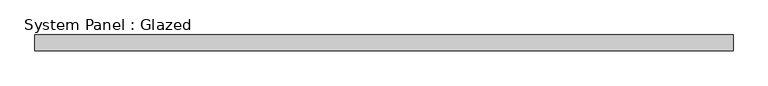
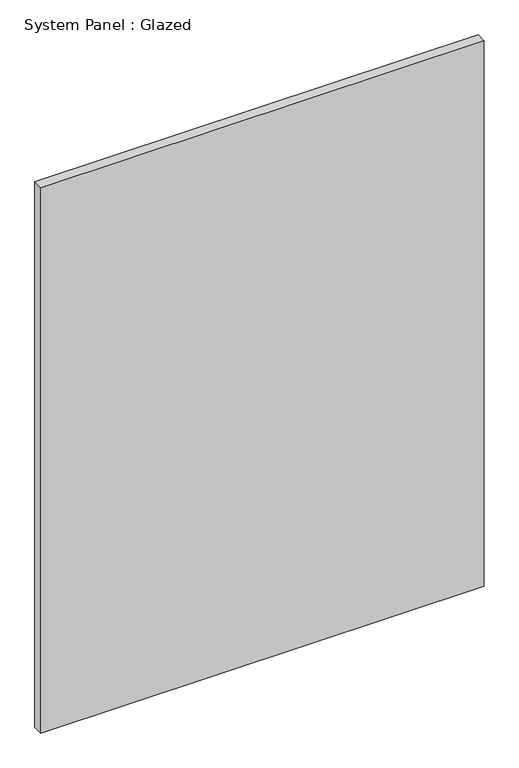
"""IFC4 building model written with IfcOpenShell, lengths in millimetres: plate geometry, System Panel : Glazed."""

import ifcopenshell
import ifcopenshell.guid

model = None  # the IFC model being written
_history = None  # IfcOwnerHistory: only IFC2X3 demands one
_inside = {}  # id of a spatial element -> (the spatial element, [elements in it])
_under = {}  # id of a project, library or spatial element -> (it, [spatial elements below it])
_declared = {}  # id of a project -> (the project, [libraries it declares])
_typed = {}  # id of a type object -> (the type object, [elements of that type])
_made_of = {}  # id of a material, layer set ... -> (it, [elements and type objects made of it])


def new_model(schema):
    """Start an empty IFC model of exactly this schema.

    Asked for "IFC4X3", IfcOpenShell would pick the latest addendum, in which some entities
    have other attributes; the version numbers below select the first issue.
    IFC2X3 requires an IfcOwnerHistory on every rooted entity: one is made here for all.
    """
    global model, _history
    if schema == "IFC4X3":
        model = ifcopenshell.file(schema_version=(4, 3, 0, 0))
    else:
        model = ifcopenshell.file(schema=schema)
    _inside.clear()
    _under.clear()
    _declared.clear()
    _typed.clear()
    _made_of.clear()
    _history = None
    if model.schema == "IFC2X3":
        org = make("IfcOrganization", Name="unknown")
        user = make(
            "IfcPersonAndOrganization",
            ThePerson=make("IfcPerson", FamilyName="unknown"),
            TheOrganization=org,
        )
        app = make(
            "IfcApplication",
            ApplicationDeveloper=org,
            Version="unknown",
            ApplicationFullName="unknown",
            ApplicationIdentifier="unknown",
        )
        _history = make(
            "IfcOwnerHistory",
            OwningUser=user,
            OwningApplication=app,
            ChangeAction="ADDED",
            CreationDate=0,
        )
    return model


def make(cls, **values):
    """One entity of the class cls with the attributes given. An attribute that is None is left unset."""
    return model.create_entity(
        cls, **{name: value for name, value in values.items() if value is not None}
    )


def rooted(cls, **values):
    """An entity with a GlobalId (a new one), such as an element, a storey or a relation."""
    return make(cls, GlobalId=ifcopenshell.guid.new(), OwnerHistory=_history, **values)


def si_unit(unit_type, name, prefix=None):
    """IfcSIUnit, for example si_unit("LENGTHUNIT", "METRE", prefix="MILLI")."""
    return make("IfcSIUnit", UnitType=unit_type, Prefix=prefix, Name=name)


def assignment(units):
    """IfcUnitAssignment: the units of a project."""
    return None if units is None else make("IfcUnitAssignment", Units=units)


def point(xyz):
    """IfcCartesianPoint."""
    return None if xyz is None else make("IfcCartesianPoint", Coordinates=xyz)


def direction(xyz):
    """IfcDirection."""
    return None if xyz is None else make("IfcDirection", DirectionRatios=xyz)


def frame(location, z_axis=None, x_axis=None):
    """IfcAxis2Placement3D, a coordinate frame: its origin and axes. An axis left out is left unset."""
    return make(
        "IfcAxis2Placement3D",
        Location=point(location),
        Axis=direction(z_axis),
        RefDirection=direction(x_axis),
    )


def origin():
    """The frame at (0, 0, 0) with its axes left unset."""
    return frame((0.0, 0.0, 0.0))


def origin_with_axes():
    """The frame at (0, 0, 0) with the z axis (0, 0, 1) and the x axis (1, 0, 0) written out."""
    return frame((0.0, 0.0, 0.0), z_axis=(0.0, 0.0, 1.0), x_axis=(1.0, 0.0, 0.0))


def place(relative_to, where):
    """IfcLocalPlacement: puts the frame where relative to a parent placement (None: the world)."""
    return make(
        "IfcLocalPlacement", PlacementRelTo=relative_to, RelativePlacement=where
    )


def context(
    kind, dimensions, precision=None, world=None, true_north=None, identifier=None
):
    """IfcGeometricRepresentationContext, for example the 3D "Model" context."""
    return make(
        "IfcGeometricRepresentationContext",
        ContextIdentifier=identifier,
        ContextType=kind,
        CoordinateSpaceDimension=dimensions,
        Precision=precision,
        WorldCoordinateSystem=world,
        TrueNorth=true_north,
    )


def project(units=None, contexts=None):
    """IfcProject with its units and contexts."""
    return rooted(
        "IfcProject",
        Name="project",
        RepresentationContexts=contexts,
        UnitsInContext=assignment(units),
    )


def spatial(cls, under=None, at=None, **own):
    """A site, building, storey or space (cls), placed at a placement, below another one or the project."""
    s = rooted(cls, ObjectPlacement=at, **own)
    if under is not None:
        _under.setdefault(under.id(), (under, []))[1].append(s)
    return s


def polyline(points):
    """IfcPolyline through the points."""
    return make("IfcPolyline", Points=[point(p) for p in points])


def outline(outer, holes=None, kind="AREA"):
    """IfcArbitraryClosedProfileDef: a profile drawn as a closed curve; with holes, ...WithVoids."""
    if holes is None:
        return make("IfcArbitraryClosedProfileDef", ProfileType=kind, OuterCurve=outer)
    return make(
        "IfcArbitraryProfileDefWithVoids",
        ProfileType=kind,
        OuterCurve=outer,
        InnerCurves=holes,
    )


def extrude(swept, where, along, depth):
    """IfcExtrudedAreaSolid: the profile swept, set in the frame where, extruded along a direction by depth."""
    return make(
        "IfcExtrudedAreaSolid",
        SweptArea=swept,
        Position=where,
        ExtrudedDirection=direction(along),
        Depth=depth,
    )


def shape(context_of_items, identifier, shape_type, items):
    """IfcShapeRepresentation: the items that make up one representation, for example the "Body"."""
    return make(
        "IfcShapeRepresentation",
        ContextOfItems=context_of_items,
        RepresentationIdentifier=identifier,
        RepresentationType=shape_type,
        Items=items,
    )


def source(mapping_origin, context_of_items, identifier, shape_type, items):
    """IfcRepresentationMap: a shape defined once, which mapped items show again and again."""
    return make(
        "IfcRepresentationMap",
        MappingOrigin=mapping_origin,
        MappedRepresentation=shape(context_of_items, identifier, shape_type, items),
    )


def transform(
    local_origin,
    x_axis=None,
    y_axis=None,
    z_axis=None,
    scale=None,
    scale2=None,
    scale3=None,
    uniform=True,
):
    """IfcCartesianTransformationOperator3D, or its non-uniform kind. x_axis, y_axis, z_axis: its Axis1, 2, 3."""
    if uniform:
        return make(
            "IfcCartesianTransformationOperator3D",
            Axis1=direction(x_axis),
            Axis2=direction(y_axis),
            LocalOrigin=point(local_origin),
            Scale=scale,
            Axis3=direction(z_axis),
        )
    return make(
        "IfcCartesianTransformationOperator3DnonUniform",
        Axis1=direction(x_axis),
        Axis2=direction(y_axis),
        LocalOrigin=point(local_origin),
        Scale=scale,
        Axis3=direction(z_axis),
        Scale2=scale2,
        Scale3=scale3,
    )


def mapped(mapping_source, mapping_target):
    """IfcMappedItem: shows the shape of a source again, moved by a transform."""
    return make(
        "IfcMappedItem", MappingSource=mapping_source, MappingTarget=mapping_target
    )


def made_of(thing, what):
    """Note that an element or type object is made of a material, layer set ...; save() writes the relation."""
    if what is not None:
        _made_of.setdefault(what.id(), (what, []))[1].append(thing)
    return thing


def element(
    cls,
    number,
    at=None,
    inside=None,
    cuts=None,
    type_object=None,
    material=None,
    context=None,
    identifier="Body",
    shape_type=None,
    held_by="IfcProductDefinitionShape",
    body=None,
    shapes=None,
    **own,
):
    """One element of the class cls, such as IfcWall. Its Tag is "e" and its number.

    at: its placement. inside: the storey or other place that contains it. cuts: it is an
    opening in that element (IfcRelVoidsElement). A single representation is given by context,
    identifier, shape_type and body (its items); several are given by shapes. held_by: the class
    of the entity that holds the representations. save() writes the other relations.
    """
    e = rooted(cls, Tag="e%d" % number, ObjectPlacement=at, **own)
    if body is not None:
        shapes = [shape(context, identifier, shape_type, body)]
    if shapes is not None:
        e.Representation = make(held_by, Representations=shapes)
    if inside is not None:
        _inside.setdefault(inside.id(), (inside, []))[1].append(e)
    if cuts is not None:
        rooted(
            "IfcRelVoidsElement", RelatingBuildingElement=cuts, RelatedOpeningElement=e
        )
    if type_object is not None:
        _typed.setdefault(type_object.id(), (type_object, []))[1].append(e)
    return made_of(e, material)


def aggregate(whole, parts):
    """IfcRelAggregates: a whole, such as a stair, and the parts it consists of."""
    return rooted("IfcRelAggregates", RelatingObject=whole, RelatedObjects=parts)


def save(model, path):
    """Write the relations noted so far, then the file.

    IfcRelAggregates (storeys below a building ...), IfcRelContainedInSpatialStructure (elements
    in a storey), IfcRelDefinesByType, IfcRelAssociatesMaterial and IfcRelDeclares: one each for
    every whole, place, type object, material and project.
    """
    for whole, parts in _under.values():
        aggregate(whole, parts)
    for where, things in _inside.values():
        rooted(
            "IfcRelContainedInSpatialStructure",
            RelatedElements=things,
            RelatingStructure=where,
        )
    for kind, things in _typed.values():
        rooted("IfcRelDefinesByType", RelatedObjects=things, RelatingType=kind)
    for what, things in _made_of.values():
        rooted("IfcRelAssociatesMaterial", RelatedObjects=things, RelatingMaterial=what)
    for by, libraries in _declared.values():
        rooted("IfcRelDeclares", RelatingContext=by, RelatedDefinitions=libraries)
    model.write(path)


def system_panel_glazed_b7012a2e(model_context):
    return source(origin(), model_context, "Body", "SweptSolid", [
        extrude(outline(polyline([(561.975, -44.45), (-561.975, -44.45), (-561.975, -19.05), (561.975, -19.05), (561.975, -44.45)])), origin_with_axes(), (0.0, 0.0, 1.0), 1460.5),
    ])


if __name__ == "__main__":
    model = new_model("IFC4")
    model_context = context("Model", 3, world=origin())
    ifc_project = project(units=[si_unit("LENGTHUNIT", "METRE", prefix="MILLI")], contexts=[model_context])
    site = spatial("IfcSite", under=ifc_project)
    building = spatial("IfcBuilding", under=site)
    placement = place(None, origin())
    system_panel_glazed_shape = system_panel_glazed_b7012a2e(model_context)
    element("IfcPlate", 1, ObjectType="System Panel : Glazed", at=placement, inside=building, context=model_context, shape_type="MappedRepresentation", body=[
        mapped(system_panel_glazed_shape, transform((0.0, 0.0, 0.0), x_axis=(1.0, 0.0, 0.0), y_axis=(0.0, 1.0, 0.0), z_axis=(0.0, 0.0, 1.0))),
    ])
    save(model, "model.ifc")
